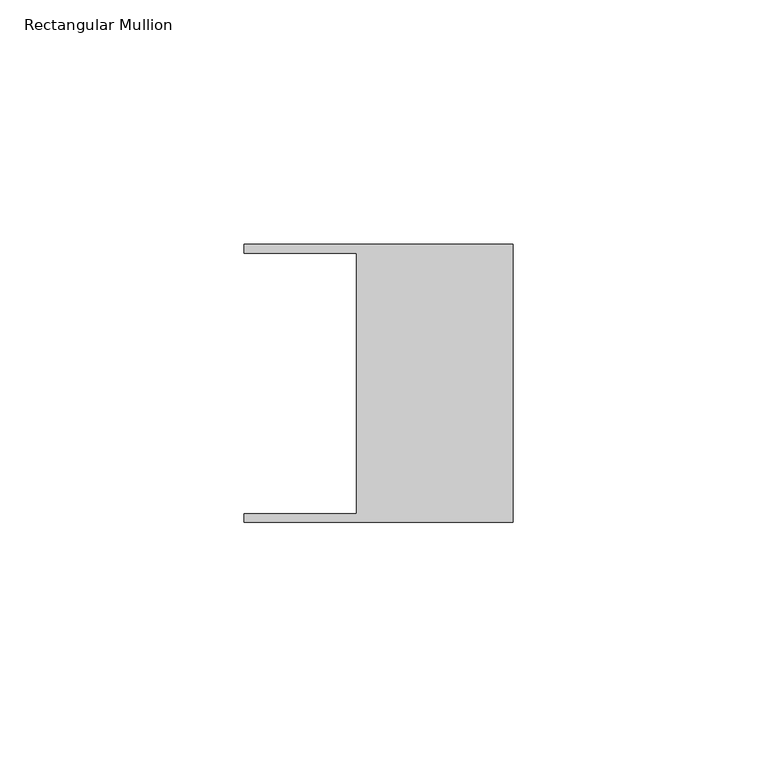
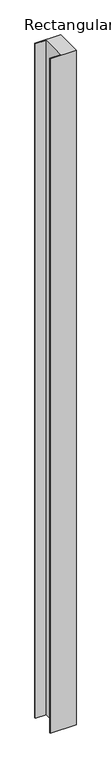
"""IFC4 building model written with IfcOpenShell, lengths in millimetres: member geometry, Rectangular Mullion."""

from ifc_helpers import new_model, si_unit, frame, origin, place, context, project, spatial, polyline, outline, extrude, source, transform, mapped, element, save


def rectangular_mullion_9641acec(model_context):
    return source(origin(), model_context, "Body", "SweptSolid", [
        extrude(outline(polyline([(-32.004, -26.67), (-32.004, 26.67), (-54.991, 26.67), (-54.991, 28.448), (0.0, 28.448), (0.0, -28.448), (-54.991, -28.448), (-54.991, -26.67), (-32.004, -26.67)])), frame((0.0, 0.0, -1524.0), z_axis=(0.0, 0.0, 1.0), x_axis=(1.0, 0.0, 0.0)), (0.0, 0.0, 1.0), 1524.0),
    ])


if __name__ == "__main__":
    model = new_model("IFC4")
    model_context = context("Model", 3, world=origin())
    ifc_project = project(units=[si_unit("LENGTHUNIT", "METRE", prefix="MILLI")], contexts=[model_context])
    site = spatial("IfcSite", under=ifc_project)
    building = spatial("IfcBuilding", under=site)
    placement = place(None, origin())
    rectangular_mullion_shape = rectangular_mullion_9641acec(model_context)
    element("IfcMember", 1, ObjectType="Rectangular Mullion", at=placement, inside=building, context=model_context, shape_type="MappedRepresentation", body=[
        mapped(rectangular_mullion_shape, transform((0.0, 0.0, 0.0), x_axis=(1.0, 0.0, 0.0), y_axis=(0.0, 1.0, 0.0), z_axis=(0.0, 0.0, 1.0))),
    ])
    save(model, "model.ifc")
